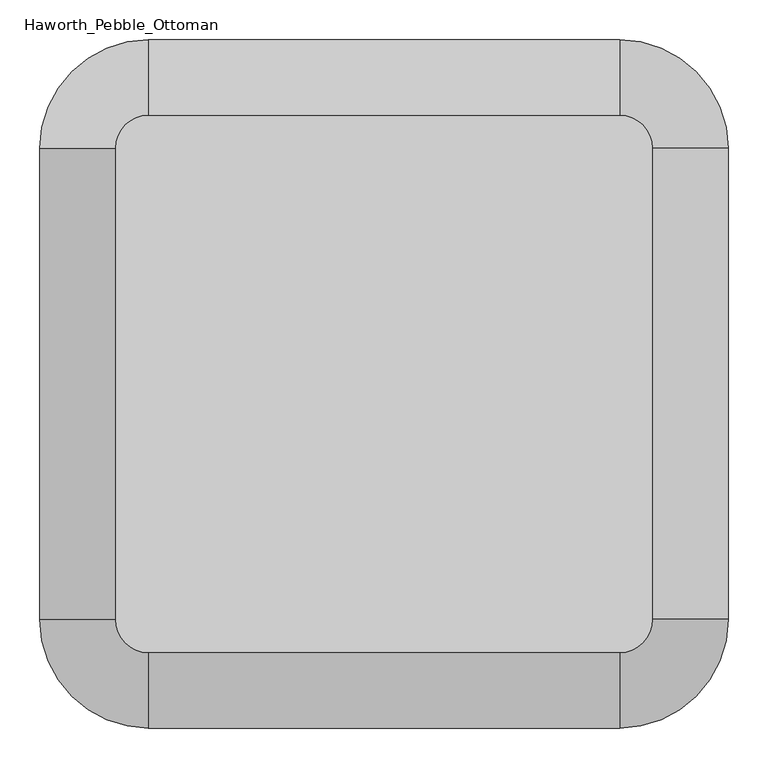
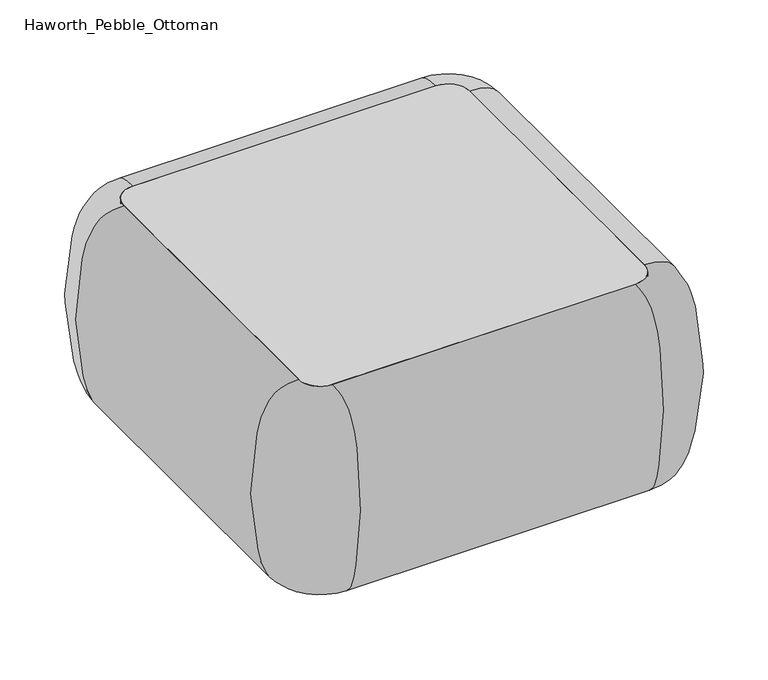
"""IFC4 building model written with IfcOpenShell, lengths in millimetres: furniture geometry, Haworth_Pebble_Ottoman."""

from ifc_helpers import new_model, si_unit, point, frame, frame_2d, origin, origin_with_axes, place, context, project, spatial, polyline, circle_curve, trimmed, segment, composite_curve, outline, extrude, source, transform, mapped, element, save
from ifc_brep_helpers import plane_surface, revolved_surface, extruded_surface, spline_curve, advanced_brep


def haworth_pebble_ottoman_33c4a9e7(model_context):
    return source(origin(), model_context, "Body", "SolidModel", [
        advanced_brep(
        [(-278.0855515, -102.1266005, 431.4267645), (-236.4136765, -60.4547255, 431.4267645), (-236.4136765, -60.4547255, 15.9000004), (-278.0855515, -102.1266005, 15.9000004), (-278.0855515, -693.1152987, 15.9000004), (-278.0855515, -693.1152987, 431.4267645), (354.7161859, -60.4547255, 431.4267645), (354.7161859, -60.4547255, 15.9000004), (-236.4136765, -734.7871737, 431.4267645), (-236.4136765, -734.7871737, 15.9000004), (354.7161859, -734.7871737, 15.9000004), (354.7161859, -734.7871737, 431.4267645), (396.3880609, -693.1152987, 431.4267645), (396.3880609, -693.1152987, 15.9000004), (396.3880609, -102.1266005, 15.9000004), (396.3880609, -102.1266005, 431.4267645)],
        [
            (0, 1, circle_curve(frame((-236.4136765, -102.1266005, 431.4267645), z_axis=(0.0, 0.0, -1.0), x_axis=(0.0, 1.0, 0.0)), 41.671875)),
            (1, 2, spline_curve(3, [(-236.4136765, -60.4547255, 431.4267645), (-236.4136765, -20.499156081, 431.4267645), (-236.4136765, -9.422817746, 418.111325992), (-236.4136765, 12.141986687, 387.074624676), (-236.4136765, 16.778281603, 372.805576067), (-236.4136765, 27.813707351, 318.739710756), (-236.4136765, 34.317735124, 272.461148795), (-236.4136765, 33.975120077, 183.217431721), (-236.4136765, 26.56487399, 140.468636482), (-236.4136765, 14.838127972, 86.422119583), (-236.4136765, 10.2884604, 69.442528942), (-236.4136765, -4.541050123, 40.550023909), (-236.4136765, -12.54840989, 28.736458982), (-236.4136765, -60.4547255, 15.9000004)], [4, 2, 2, 2, 2, 2, 4], [0.0, 0.14234338208612818, 0.3844442925433662, 0.7007195720884005, 1.0300826792167348, 1.2544468815012602, 1.4077182079104207])),
            (2, 3, circle_curve(frame((-236.4136765, -102.1266005, 15.9000004), z_axis=(0.0, 0.0, 1.0), x_axis=(0.0, 1.0, 0.0)), 41.671875)),
            (3, 0, spline_curve(3, [(-278.0855515, -102.1266005, 15.9000004), (-325.99186711, -102.1266005, 28.736458982), (-333.999226877, -102.1266005, 40.550023909), (-348.8287374, -102.1266005, 69.442528942), (-353.378404972, -102.1266005, 86.422119583), (-365.10515099, -102.1266005, 140.468636482), (-372.515397077, -102.1266005, 183.217431721), (-372.858012124, -102.1266005, 272.461148795), (-366.353984351, -102.1266005, 318.739710756), (-355.318558603, -102.1266005, 372.805576067), (-350.682263687, -102.1266005, 387.074624676), (-329.117459254, -102.1266005, 418.111325992), (-318.041120919, -102.1266005, 431.4267645), (-278.0855515, -102.1266005, 431.4267645)], [4, 2, 2, 2, 2, 2, 4], [0.0, 0.15327132640916052, 0.3776355286936859, 0.7069986358220202, 1.0232739153670545, 1.2653748258242925, 1.4077182079104207])),
            (2, 1),
            (0, 3),
            (3, 4),
            (4, 5, spline_curve(3, [(-278.0855515, -693.1152987, 15.9000004), (-325.99186711, -693.1152987, 28.736458982), (-333.999226877, -693.1152987, 40.550023909), (-348.8287374, -693.1152987, 69.442528942), (-353.378404972, -693.1152987, 86.422119583), (-365.10515099, -693.1152987, 140.468636482), (-372.515397077, -693.1152987, 183.217431721), (-372.858012124, -693.1152987, 272.461148795), (-366.353984351, -693.1152987, 318.739710756), (-355.318558603, -693.1152987, 372.805576067), (-350.682263687, -693.1152987, 387.074624676), (-329.117459254, -693.1152987, 418.111325992), (-318.041120919, -693.1152987, 431.4267645), (-278.0855515, -693.1152987, 431.4267645)], [4, 2, 2, 2, 2, 2, 4], [0.0, 0.15327132640916052, 0.3776355286936859, 0.7069986358220202, 1.0232739153670545, 1.2653748258242925, 1.4077182079104207])),
            (5, 0),
            (5, 4),
            (6, 7, spline_curve(3, [(354.7161859, -60.4547255, 431.4267645), (354.7161859, -20.499156081, 431.4267645), (354.7161859, -9.422817746, 418.111325992), (354.7161859, 12.141986687, 387.074624676), (354.7161859, 16.778281603, 372.805576067), (354.7161859, 27.813707351, 318.739710756), (354.7161859, 34.317735124, 272.461148795), (354.7161859, 33.975120077, 183.217431721), (354.7161859, 26.56487399, 140.468636482), (354.7161859, 14.838127972, 86.422119583), (354.7161859, 10.2884604, 69.442528942), (354.7161859, -4.541050123, 40.550023909), (354.7161859, -12.54840989, 28.736458982), (354.7161859, -60.4547255, 15.9000004)], [4, 2, 2, 2, 2, 2, 4], [0.0, 0.14234338208612818, 0.3844442925433662, 0.7007195720884005, 1.0300826792167348, 1.2544468815012602, 1.4077182079104207])),
            (7, 2),
            (1, 6),
            (7, 6),
            (8, 5, circle_curve(frame((-236.4136765, -693.1152987, 431.4267645), z_axis=(0.0, 0.0, -1.0), x_axis=(-1.0, 0.0, 0.0)), 41.671875)),
            (4, 9, circle_curve(frame((-236.4136765, -693.1152987, 15.9000004), z_axis=(0.0, 0.0, 1.0), x_axis=(-1.0, 0.0, 0.0)), 41.671875)),
            (9, 8, spline_curve(3, [(-236.4136765, -734.7871737, 15.9000004), (-236.4136765, -782.69348931, 28.736458982), (-236.4136765, -790.700849077, 40.550023909), (-236.4136765, -805.5303596, 69.442528942), (-236.4136765, -810.080027172, 86.422119583), (-236.4136765, -821.80677319, 140.468636482), (-236.4136765, -829.217019277, 183.217431721), (-236.4136765, -829.559634324, 272.461148795), (-236.4136765, -823.055606651, 318.739710756), (-236.4136765, -812.020180903, 372.805576067), (-236.4136765, -807.383885887, 387.074624676), (-236.4136765, -785.819081454, 418.111325992), (-236.4136765, -774.742743119, 431.4267645), (-236.4136765, -734.7871737, 431.4267645)], [4, 2, 2, 2, 2, 2, 4], [0.0, 0.15327132640916052, 0.3776355286936859, 0.7069986358220202, 1.0232739153670545, 1.2653748258242925, 1.4077182079104207])),
            (8, 9),
            (9, 10),
            (10, 11, spline_curve(3, [(354.7161859, -734.7871737, 15.9000004), (354.7161859, -782.69348931, 28.736458982), (354.7161859, -790.700849077, 40.550023909), (354.7161859, -805.5303596, 69.442528942), (354.7161859, -810.080027172, 86.422119583), (354.7161859, -821.80677319, 140.468636482), (354.7161859, -829.217019277, 183.217431721), (354.7161859, -829.559634324, 272.461148795), (354.7161859, -823.055606651, 318.739710756), (354.7161859, -812.020180903, 372.805576067), (354.7161859, -807.383885887, 387.074624676), (354.7161859, -785.819081454, 418.111325992), (354.7161859, -774.742743119, 431.4267645), (354.7161859, -734.7871737, 431.4267645)], [4, 2, 2, 2, 2, 2, 4], [0.0, 0.15327132640916052, 0.3776355286936859, 0.7069986358220202, 1.0232739153670545, 1.2653748258242925, 1.4077182079104207])),
            (11, 8),
            (11, 10),
            (12, 11, circle_curve(frame((354.7161859, -693.1152987, 431.4267645), z_axis=(0.0, 0.0, -1.0), x_axis=(0.0, -1.0, 0.0)), 41.671875)),
            (10, 13, circle_curve(frame((354.7161859, -693.1152987, 15.9000004), z_axis=(0.0, 0.0, 1.0), x_axis=(0.0, -1.0, 0.0)), 41.671875)),
            (13, 12, spline_curve(3, [(396.3880609, -693.1152987, 15.9000004), (444.29437651, -693.1152987, 28.736458982), (452.301736277, -693.1152987, 40.550023909), (467.1312468, -693.1152987, 69.442528942), (471.680914372, -693.1152987, 86.422119583), (483.40766039, -693.1152987, 140.468636482), (490.817906477, -693.1152987, 183.217431721), (491.160521524, -693.1152987, 272.461148795), (484.656493751, -693.1152987, 318.739710756), (473.621068003, -693.1152987, 372.805576067), (468.984773087, -693.1152987, 387.074624676), (447.419968654, -693.1152987, 418.111325992), (436.343630319, -693.1152987, 431.4267645), (396.3880609, -693.1152987, 431.4267645)], [4, 2, 2, 2, 2, 2, 4], [0.0, 0.15327132640916052, 0.3776355286936859, 0.7069986358220202, 1.0232739153670545, 1.2653748258242925, 1.4077182079104207])),
            (12, 13),
            (13, 14),
            (14, 15, spline_curve(3, [(396.3880609, -102.1266005, 15.9000004), (444.29437651, -102.1266005, 28.736458982), (452.301736277, -102.1266005, 40.550023909), (467.1312468, -102.1266005, 69.442528942), (471.680914372, -102.1266005, 86.422119583), (483.40766039, -102.1266005, 140.468636482), (490.817906477, -102.1266005, 183.217431721), (491.160521524, -102.1266005, 272.461148795), (484.656493751, -102.1266005, 318.739710756), (473.621068003, -102.1266005, 372.805576067), (468.984773087, -102.1266005, 387.074624676), (447.419968654, -102.1266005, 418.111325992), (436.343630319, -102.1266005, 431.4267645), (396.3880609, -102.1266005, 431.4267645)], [4, 2, 2, 2, 2, 2, 4], [0.0, 0.15327132640916052, 0.3776355286936859, 0.7069986358220202, 1.0232739153670545, 1.2653748258242925, 1.4077182079104207])),
            (15, 12),
            (15, 14),
            (6, 15, circle_curve(frame((354.7161859, -102.1266005, 431.4267645), z_axis=(0.0, 0.0, -1.0), x_axis=(1.0, 0.0, 0.0)), 41.671875)),
            (14, 7, circle_curve(frame((354.7161859, -102.1266005, 15.9000004), z_axis=(0.0, 0.0, 1.0), x_axis=(1.0, 0.0, 0.0)), 41.671875)),
        ],
        [
            revolved_surface(spline_curve(3, [(-236.4136765, -60.4547255, 15.9000004), (-236.4136765, -12.54840989, 28.736458982), (-236.4136765, -4.541050123, 40.550023909), (-236.4136765, 10.2884604, 69.442528942), (-236.4136765, 14.838127972, 86.422119583), (-236.4136765, 26.56487399, 140.468636482), (-236.4136765, 33.975120077, 183.217431721), (-236.4136765, 34.317735124, 272.461148795), (-236.4136765, 27.813707351, 318.739710756), (-236.4136765, 16.778281603, 372.805576067), (-236.4136765, 12.141986687, 387.074624676), (-236.4136765, -9.422817746, 418.111325992), (-236.4136765, -20.499156081, 431.4267645), (-236.4136765, -60.4547255, 431.4267645)], [4, 2, 2, 2, 2, 2, 4], [0.0, 0.15327132640916052, 0.3776355286936859, 0.7069986358220202, 1.0232739153670545, 1.2653748258242925, 1.4077182079104207]), (-236.4136765, -102.1266005, 584.2), (0.0, 0.0, 1.0)),
            revolved_surface(polyline([(-236.4136765, -60.454725499999995, 431.4267645), (-236.4136765, -60.454725499999995, 15.900000399999954)]), (-236.4136765, -102.1266005, 584.2), (0.0, 0.0, 1.0)),
            extruded_surface(spline_curve(3, [(-278.0855515, -693.1152987, 15.9000004), (-325.99186711, -693.1152987, 28.736458982), (-333.999226877, -693.1152987, 40.550023909), (-348.8287374, -693.1152987, 69.442528942), (-353.378404972, -693.1152987, 86.422119583), (-365.10515099, -693.1152987, 140.468636482), (-372.515397077, -693.1152987, 183.217431721), (-372.858012124, -693.1152987, 272.461148795), (-366.353984351, -693.1152987, 318.739710756), (-355.318558603, -693.1152987, 372.805576067), (-350.682263687, -693.1152987, 387.074624676), (-329.117459254, -693.1152987, 418.111325992), (-318.041120919, -693.1152987, 431.4267645), (-278.0855515, -693.1152987, 431.4267645)], [4, 2, 2, 2, 2, 2, 4], [0.0, 0.15327132640916052, 0.3776355286936859, 0.7069986358220202, 1.0232739153670545, 1.2653748258242925, 1.4077182079104207]), (0.0, 590.9886982, 0.0), 590.9886982),
            plane_surface(frame((-278.0855515, -102.1266005, 431.4267645), z_axis=(1.0, 0.0, 0.0), x_axis=(0.0, -1.0, 0.0))),
            extruded_surface(spline_curve(3, [(-236.4136765, -60.4547255, 15.9000004), (-236.4136765, -12.54840989, 28.736458982), (-236.4136765, -4.541050123, 40.550023909), (-236.4136765, 10.2884604, 69.442528942), (-236.4136765, 14.838127972, 86.422119583), (-236.4136765, 26.56487399, 140.468636482), (-236.4136765, 33.975120077, 183.217431721), (-236.4136765, 34.317735124, 272.461148795), (-236.4136765, 27.813707351, 318.739710756), (-236.4136765, 16.778281603, 372.805576067), (-236.4136765, 12.141986687, 387.074624676), (-236.4136765, -9.422817746, 418.111325992), (-236.4136765, -20.499156081, 431.4267645), (-236.4136765, -60.4547255, 431.4267645)], [4, 2, 2, 2, 2, 2, 4], [0.0, 0.15327132640916052, 0.3776355286936859, 0.7069986358220202, 1.0232739153670545, 1.2653748258242925, 1.4077182079104207]), (591.1298624000001, 0.0, 0.0), 591.1298624000001),
            plane_surface(frame((354.7161859, -60.4547255, 431.4267645), z_axis=(0.0, -1.0, 0.0), x_axis=(-1.0, 0.0, 0.0))),
            revolved_surface(spline_curve(3, [(-278.0855515, -693.1152987, 15.9000004), (-325.99186711, -693.1152987, 28.736458982), (-333.999226877, -693.1152987, 40.550023909), (-348.8287374, -693.1152987, 69.442528942), (-353.378404972, -693.1152987, 86.422119583), (-365.10515099, -693.1152987, 140.468636482), (-372.515397077, -693.1152987, 183.217431721), (-372.858012124, -693.1152987, 272.461148795), (-366.353984351, -693.1152987, 318.739710756), (-355.318558603, -693.1152987, 372.805576067), (-350.682263687, -693.1152987, 387.074624676), (-329.117459254, -693.1152987, 418.111325992), (-318.041120919, -693.1152987, 431.4267645), (-278.0855515, -693.1152987, 431.4267645)], [4, 2, 2, 2, 2, 2, 4], [0.0, 0.15327132640916052, 0.3776355286936859, 0.7069986358220202, 1.0232739153670545, 1.2653748258242925, 1.4077182079104207]), (-236.4136765, -693.1152987, 584.2), (0.0, 0.0, 1.0)),
            revolved_surface(polyline([(-278.0855515, -693.1152987, 431.4267645), (-278.0855515, -693.1152987, 15.900000399999954)]), (-236.4136765, -693.1152987, 584.2), (0.0, 0.0, 1.0)),
            extruded_surface(spline_curve(3, [(354.7161859, -734.7871737, 15.9000004), (354.7161859, -782.69348931, 28.736458982), (354.7161859, -790.700849077, 40.550023909), (354.7161859, -805.5303596, 69.442528942), (354.7161859, -810.080027172, 86.422119583), (354.7161859, -821.80677319, 140.468636482), (354.7161859, -829.217019277, 183.217431721), (354.7161859, -829.559634324, 272.461148795), (354.7161859, -823.055606651, 318.739710756), (354.7161859, -812.020180903, 372.805576067), (354.7161859, -807.383885887, 387.074624676), (354.7161859, -785.819081454, 418.111325992), (354.7161859, -774.742743119, 431.4267645), (354.7161859, -734.7871737, 431.4267645)], [4, 2, 2, 2, 2, 2, 4], [0.0, 0.15327132640916052, 0.3776355286936859, 0.7069986358220202, 1.0232739153670545, 1.2653748258242925, 1.4077182079104207]), (-591.1298624000001, 0.0, 0.0), 591.1298624000001),
            plane_surface(frame((-236.4136765, -734.7871737, 431.4267645), z_axis=(0.0, 1.0, 0.0), x_axis=(1.0, 0.0, 0.0))),
            revolved_surface(spline_curve(3, [(354.7161859, -734.7871737, 15.9000004), (354.7161859, -782.69348931, 28.736458982), (354.7161859, -790.700849077, 40.550023909), (354.7161859, -805.5303596, 69.442528942), (354.7161859, -810.080027172, 86.422119583), (354.7161859, -821.80677319, 140.468636482), (354.7161859, -829.217019277, 183.217431721), (354.7161859, -829.559634324, 272.461148795), (354.7161859, -823.055606651, 318.739710756), (354.7161859, -812.020180903, 372.805576067), (354.7161859, -807.383885887, 387.074624676), (354.7161859, -785.819081454, 418.111325992), (354.7161859, -774.742743119, 431.4267645), (354.7161859, -734.7871737, 431.4267645)], [4, 2, 2, 2, 2, 2, 4], [0.0, 0.15327132640916052, 0.3776355286936859, 0.7069986358220202, 1.0232739153670545, 1.2653748258242925, 1.4077182079104207]), (354.7161859, -693.1152987, 584.2), (0.0, 0.0, 1.0)),
            revolved_surface(polyline([(354.7161859, -734.7871737, 431.4267645), (354.7161859, -734.7871737, 15.900000399999954)]), (354.7161859, -693.1152987, 584.2), (0.0, 0.0, 1.0)),
            extruded_surface(spline_curve(3, [(396.3880609, -102.1266005, 15.9000004), (444.29437651, -102.1266005, 28.736458982), (452.301736277, -102.1266005, 40.550023909), (467.1312468, -102.1266005, 69.442528942), (471.680914372, -102.1266005, 86.422119583), (483.40766039, -102.1266005, 140.468636482), (490.817906477, -102.1266005, 183.217431721), (491.160521524, -102.1266005, 272.461148795), (484.656493751, -102.1266005, 318.739710756), (473.621068003, -102.1266005, 372.805576067), (468.984773087, -102.1266005, 387.074624676), (447.419968654, -102.1266005, 418.111325992), (436.343630319, -102.1266005, 431.4267645), (396.3880609, -102.1266005, 431.4267645)], [4, 2, 2, 2, 2, 2, 4], [0.0, 0.15327132640916052, 0.3776355286936859, 0.7069986358220202, 1.0232739153670545, 1.2653748258242925, 1.4077182079104207]), (0.0, -590.9886982, 0.0), 590.9886982),
            plane_surface(frame((396.3880609, -693.1152987, 431.4267645), z_axis=(-1.0, 0.0, 0.0), x_axis=(0.0, 1.0, 0.0))),
            revolved_surface(spline_curve(3, [(396.3880609, -102.1266005, 15.9000004), (444.29437651, -102.1266005, 28.736458982), (452.301736277, -102.1266005, 40.550023909), (467.1312468, -102.1266005, 69.442528942), (471.680914372, -102.1266005, 86.422119583), (483.40766039, -102.1266005, 140.468636482), (490.817906477, -102.1266005, 183.217431721), (491.160521524, -102.1266005, 272.461148795), (484.656493751, -102.1266005, 318.739710756), (473.621068003, -102.1266005, 372.805576067), (468.984773087, -102.1266005, 387.074624676), (447.419968654, -102.1266005, 418.111325992), (436.343630319, -102.1266005, 431.4267645), (396.3880609, -102.1266005, 431.4267645)], [4, 2, 2, 2, 2, 2, 4], [0.0, 0.15327132640916052, 0.3776355286936859, 0.7069986358220202, 1.0232739153670545, 1.2653748258242925, 1.4077182079104207]), (354.7161859, -102.1266005, 584.2), (0.0, 0.0, 1.0)),
            revolved_surface(polyline([(396.3880609, -102.1266005, 431.4267645), (396.3880609, -102.1266005, 15.900000399999954)]), (354.7161859, -102.1266005, 584.2), (0.0, 0.0, 1.0)),
        ],
        [
            (0, [[1, 2, 3, 4]]),
            (1, [[-3, 5, -1, 6]]),
            (2, [[-4, 7, 8, 9]]),
            (3, [[-6, -9, 10, -7]]),
            (4, [[11, 12, -2, 13]]),
            (5, [[14, -13, -5, -12]]),
            (6, [[15, -8, 16, 17]]),
            (7, [[-16, -10, -15, 18]]),
            (8, [[-17, 19, 20, 21]]),
            (9, [[-18, -21, 22, -19]]),
            (10, [[23, -20, 24, 25]]),
            (11, [[-24, -22, -23, 26]]),
            (12, [[-25, 27, 28, 29]]),
            (13, [[-26, -29, 30, -27]]),
            (14, [[31, -28, 32, -11]]),
            (15, [[-32, -30, -31, -14]]),
        ],
    ),
        extrude(outline(composite_curve([segment(trimmed(circle_curve(frame_2d((354.7966445, -101.9755598)), 41.671875), [point((354.7966445, -60.3036848))], [point((396.4685195, -101.9755598))], False, "CARTESIAN"), True, "CONTINUOUS"), segment(polyline([(396.4685195, -101.9755598), (396.4685195, -693.2663394)]), True, "CONTINUOUS"), segment(trimmed(circle_curve(frame_2d((354.7966445, -693.2663394)), 41.671875), [point((396.4685195, -693.2663394))], [point((354.7966445, -734.9382144))], False, "CARTESIAN"), True, "CONTINUOUS"), segment(polyline([(354.7966445, -734.9382144), (-236.4941351, -734.9382144)]), True, "CONTINUOUS"), segment(trimmed(circle_curve(frame_2d((-236.4941351, -693.2663394)), 41.671875), [point((-236.4941351, -734.9382144))], [point((-278.1660101, -693.2663394))], False, "CARTESIAN"), True, "CONTINUOUS"), segment(polyline([(-278.1660101, -693.2663394), (-278.1660101, -101.9755598)]), True, "CONTINUOUS"), segment(trimmed(circle_curve(frame_2d((-236.4941351, -101.9755598)), 41.671875), [point((-278.1660101, -101.9755598))], [point((-236.4941351, -60.3036848))], False, "CARTESIAN"), True, "CONTINUOUS"), segment(polyline([(-236.4941351, -60.3036848), (354.7966445, -60.3036848)]), True, "CONTINUOUS")], self_intersect=False)), frame((0.0, 0.0, 15.9000004), z_axis=(0.0, 0.0, 1.0), x_axis=(1.0, 0.0, 0.0)), (0.0, 0.0, 1.0), 415.8999996),
        extrude(outline(composite_curve([segment(trimmed(circle_curve(frame_2d((333.7887547, -672.2584496)), 30.1625), [point((303.6262547, -672.2584496))], [point((363.9512547, -672.2584496))], False, "CARTESIAN"), True, "CONTINUOUS"), segment(trimmed(circle_curve(frame_2d((333.7887547, -672.2584496)), 30.1625), [point((363.9512547, -672.2584496))], [point((303.6262547, -672.2584496))], False, "CARTESIAN"), True, "CONTINUOUS")], self_intersect=False)), origin_with_axes(), (0.0, 0.0, 1.0), 15.9000004),
        extrude(outline(composite_curve([segment(trimmed(circle_curve(frame_2d((-215.4862453, -672.2584496)), 30.1625), [point((-185.3237453, -672.2584496))], [point((-245.6487453, -672.2584496))], False, "CARTESIAN"), True, "CONTINUOUS"), segment(trimmed(circle_curve(frame_2d((-215.4862453, -672.2584496)), 30.1625), [point((-245.6487453, -672.2584496))], [point((-185.3237453, -672.2584496))], False, "CARTESIAN"), True, "CONTINUOUS")], self_intersect=False)), origin_with_axes(), (0.0, 0.0, 1.0), 15.9000004),
        extrude(outline(composite_curve([segment(trimmed(circle_curve(frame_2d((333.7887547, -122.9834496)), 30.1625), [point((303.6262547, -122.9834496))], [point((363.9512547, -122.9834496))], False, "CARTESIAN"), True, "CONTINUOUS"), segment(trimmed(circle_curve(frame_2d((333.7887547, -122.9834496)), 30.1625), [point((363.9512547, -122.9834496))], [point((303.6262547, -122.9834496))], False, "CARTESIAN"), True, "CONTINUOUS")], self_intersect=False)), origin_with_axes(), (0.0, 0.0, 1.0), 15.9000004),
        extrude(outline(composite_curve([segment(trimmed(circle_curve(frame_2d((-215.4862453, -122.9834496)), 30.1625), [point((-185.3237453, -122.9834496))], [point((-245.6487453, -122.9834496))], False, "CARTESIAN"), True, "CONTINUOUS"), segment(trimmed(circle_curve(frame_2d((-215.4862453, -122.9834496)), 30.1625), [point((-245.6487453, -122.9834496))], [point((-185.3237453, -122.9834496))], False, "CARTESIAN"), True, "CONTINUOUS")], self_intersect=False)), origin_with_axes(), (0.0, 0.0, 1.0), 15.9000004),
    ])


if __name__ == "__main__":
    model = new_model("IFC4")
    model_context = context("Model", 3, world=origin())
    ifc_project = project(units=[si_unit("LENGTHUNIT", "METRE", prefix="MILLI")], contexts=[model_context])
    site = spatial("IfcSite", under=ifc_project)
    building = spatial("IfcBuilding", under=site)
    placement = place(None, origin())
    haworth_pebble_ottoman_shape = haworth_pebble_ottoman_33c4a9e7(model_context)
    element("IfcFurniture", 1, ObjectType="Haworth_Pebble_Ottoman", at=placement, inside=building, context=model_context, shape_type="MappedRepresentation", body=[
        mapped(haworth_pebble_ottoman_shape, transform((0.0, 0.0, 0.0), x_axis=(1.0, 0.0, 0.0), y_axis=(0.0, 1.0, 0.0), z_axis=(0.0, 0.0, 1.0))),
    ])
    save(model, "model.ifc")
